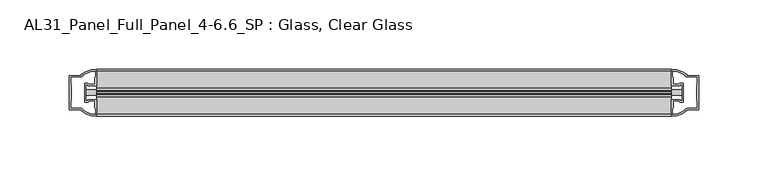
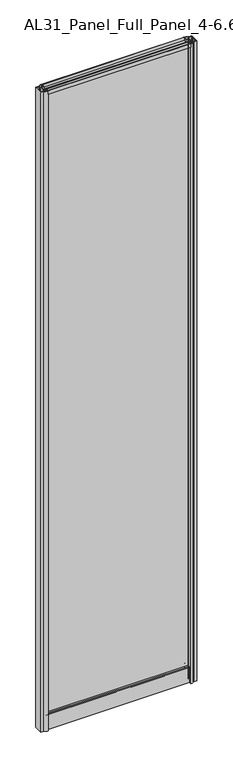
"""IFC4 building model written with IfcOpenShell, lengths in millimetres: plate geometry, AL31_Panel_Full_Panel_4-6.6_SP : Glass, Clear Glass."""

from ifc_helpers import new_model, si_unit, point, frame, frame_2d, origin, origin_with_axes, place, context, project, spatial, polyline, circle_curve, trimmed, segment, composite_curve, outline, extrude, source, transform, mapped, element, save


def al31_panel_full_panel_4_6_6_sp_glass_clear_glass_6810ea39(model_context):
    return source(origin(), model_context, "Body", "SweptSolid", [
        extrude(outline(composite_curve([segment(polyline([(-1.4, 1968.8980762), (-0.85, 1967.9454483)]), True, "CONTINUOUS"), segment(trimmed(circle_curve(frame_2d((0.1, 1966.3)), 1.9), [point((-0.85, 1967.9454483))], [point((1.05, 1967.9454483))], True, "CARTESIAN"), True, "CONTINUOUS"), segment(polyline([(1.05, 1967.9454483), (1.6, 1968.8980762)]), True, "CONTINUOUS"), segment(trimmed(circle_curve(frame_2d((0.1, 1966.3)), 3.0), [point((1.6, 1968.8980762))], [point((2.5718414, 1964.6))], False, "CARTESIAN"), True, "CONTINUOUS"), segment(polyline([(2.5718414, 1964.6), (15.7, 1964.6), (15.7, 1974.0), (17.0, 1974.0), (17.0, 1963.5), (6.7024688, 1963.5), (6.7024688, 1962.7), (6.1968782, 1960.7785039), (6.1968782, 1956.1), (5.0, 1956.1), (5.0, 1961.4339746), (5.5, 1962.3), (5.5, 1963.5), (-5.5, 1963.5), (-5.5, 1962.3), (-5.0, 1961.4339746), (-5.0, 1956.1), (-6.1968782, 1956.1), (-6.1968782, 1960.7785039), (-6.7024688, 1962.7), (-6.7024688, 1963.5), (-17.0, 1963.5), (-17.0, 1974.0), (-15.7, 1974.0), (-15.7, 1964.6), (-2.3718414, 1964.6)]), True, "CONTINUOUS"), segment(trimmed(circle_curve(frame_2d((0.1, 1966.3)), 3.0), [point((-2.3718414, 1964.6))], [point((-1.4, 1968.8980762))], False, "CARTESIAN"), True, "CONTINUOUS")], self_intersect=False)), frame((-207.6, 0.0, 0.0), z_axis=(1.0, 0.0, 0.0), x_axis=(0.0, 1.0, 0.0)), (0.0, 0.0, 1.0), 415.2),
        extrude(outline(composite_curve([segment(polyline([(-215.4414214, -5.9), (-214.2414214, -5.9), (-214.2414214, -5.0), (-207.6, -5.0), (-207.6, -17.0001453)]), True, "CONTINUOUS"), segment(trimmed(circle_curve(frame_2d((-207.2353484, 2.9965302)), 20.0), [point((-207.6, -17.0001453))], [point((-218.9558352, -13.2093388))], False, "CARTESIAN"), True, "CONTINUOUS"), segment(polyline([(-218.9558352, -13.2093388), (-218.9558352, -12.3279343), (-227.6, -12.3279343), (-227.6, 12.3720657), (-218.9558352, 12.3720657), (-218.9558352, 13.2095249)]), True, "CONTINUOUS"), segment(trimmed(circle_curve(frame_2d((-207.2353484, -2.9963441)), 20.0), [point((-218.9558352, 13.2095249))], [point((-207.6, 17.0003314))], False, "CARTESIAN"), True, "CONTINUOUS"), segment(polyline([(-207.6, 17.0003314), (-207.6, 5.0), (-214.2414214, 5.0), (-214.2414214, 5.9), (-215.4414214, 5.9), (-215.4414214, -5.9)]), True, "CONTINUOUS")], self_intersect=False), holes=[composite_curve([segment(trimmed(circle_curve(frame_2d((-214.4414214, 5.7)), 1.5), [point((-214.4414214, 7.2))], [point((-213.0861671, 6.3428731))], False, "CARTESIAN"), True, "CONTINUOUS"), segment(polyline([(-213.0861671, 6.3428731), (-209.3414214, 6.3428731), (-209.3414214, 10.939223), (-208.9020815, 11.9998832), (-208.9020815, 15.6499817)]), True, "CONTINUOUS"), segment(trimmed(circle_curve(frame_2d((-207.2353484, -2.9755921)), 18.7), [point((-208.9020815, 15.6499817))], [point((-217.2421262, 12.8216987))], True, "CARTESIAN"), True, "CONTINUOUS"), segment(trimmed(circle_curve(frame_2d((-219.0414214, 12.8720657)), 1.8), [point((-217.2421262, 12.8216987))], [point((-219.0414214, 11.0720657))], False, "CARTESIAN"), True, "CONTINUOUS"), segment(polyline([(-219.0414214, 11.0720657), (-226.1828427, 11.0720657), (-226.1828427, 6.5019606), (-225.7414214, 5.439223), (-225.7414214, -5.3950916), (-226.2414214, -6.3879987), (-226.2414214, -11.0279343), (-219.0414214, -11.0279343)]), True, "CONTINUOUS"), segment(trimmed(circle_curve(frame_2d((-219.0414214, -12.8279343)), 1.8), [point((-219.0414214, -11.0279343))], [point((-217.2421262, -12.7775673))], False, "CARTESIAN"), True, "CONTINUOUS"), segment(trimmed(circle_curve(frame_2d((-207.2353484, 3.0197235)), 18.7), [point((-217.2421262, -12.7775673))], [point((-208.9020815, -15.6058503))], True, "CARTESIAN"), True, "CONTINUOUS"), segment(polyline([(-208.9020815, -15.6058503), (-208.9020815, -11.9557518), (-209.3414214, -10.8950916), (-209.3414214, -6.2991308), (-213.0662696, -6.2991308)]), True, "CONTINUOUS"), segment(trimmed(circle_curve(frame_2d((-214.4414214, -5.7)), 1.5), [point((-213.0662696, -6.2991308))], [point((-214.4414214, -7.2))], False, "CARTESIAN"), True, "CONTINUOUS"), segment(polyline([(-214.4414214, -7.2), (-216.7414214, -7.2), (-216.7414214, 7.2), (-214.4414214, 7.2)]), True, "CONTINUOUS")], self_intersect=False)]), origin_with_axes(), (0.0, 0.0, 1.0), 1974.0),
        extrude(outline(composite_curve([segment(polyline([(215.4414214, 5.9), (214.2414214, 5.9), (214.2414214, 5.0), (207.6, 5.0), (207.6, 17.0001453)]), True, "CONTINUOUS"), segment(trimmed(circle_curve(frame_2d((207.2353484, -2.9965302)), 20.0), [point((207.6, 17.0001453))], [point((218.9558352, 13.2093388))], False, "CARTESIAN"), True, "CONTINUOUS"), segment(polyline([(218.9558352, 13.2093388), (218.9558352, 12.3279343), (227.6, 12.3279343), (227.6, -12.3720657), (218.9558352, -12.3720657), (218.9558352, -13.2095249)]), True, "CONTINUOUS"), segment(trimmed(circle_curve(frame_2d((207.2353484, 2.9963441)), 20.0), [point((218.9558352, -13.2095249))], [point((207.6, -17.0003314))], False, "CARTESIAN"), True, "CONTINUOUS"), segment(polyline([(207.6, -17.0003314), (207.6, -5.0), (214.2414214, -5.0), (214.2414214, -5.9), (215.4414214, -5.9), (215.4414214, 5.9)]), True, "CONTINUOUS")], self_intersect=False), holes=[composite_curve([segment(trimmed(circle_curve(frame_2d((214.4414214, -5.7)), 1.5), [point((214.4414214, -7.2))], [point((213.0861671, -6.3428731))], False, "CARTESIAN"), True, "CONTINUOUS"), segment(polyline([(213.0861671, -6.3428731), (209.3414214, -6.3428731), (209.3414214, -10.939223), (208.9020815, -11.9998832), (208.9020815, -15.6499817)]), True, "CONTINUOUS"), segment(trimmed(circle_curve(frame_2d((207.2353484, 2.9755921)), 18.7), [point((208.9020815, -15.6499817))], [point((217.2421262, -12.8216987))], True, "CARTESIAN"), True, "CONTINUOUS"), segment(trimmed(circle_curve(frame_2d((219.0414214, -12.8720657)), 1.8), [point((217.2421262, -12.8216987))], [point((219.0414214, -11.0720657))], False, "CARTESIAN"), True, "CONTINUOUS"), segment(polyline([(219.0414214, -11.0720657), (226.1828427, -11.0720657), (226.1828427, -6.5019606), (225.7414214, -5.439223), (225.7414214, 5.3950916), (226.2414214, 6.3879987), (226.2414214, 11.0279343), (219.0414214, 11.0279343)]), True, "CONTINUOUS"), segment(trimmed(circle_curve(frame_2d((219.0414214, 12.8279343)), 1.8), [point((219.0414214, 11.0279343))], [point((217.2421262, 12.7775673))], False, "CARTESIAN"), True, "CONTINUOUS"), segment(trimmed(circle_curve(frame_2d((207.2353484, -3.0197235)), 18.7), [point((217.2421262, 12.7775673))], [point((208.9020815, 15.6058503))], True, "CARTESIAN"), True, "CONTINUOUS"), segment(polyline([(208.9020815, 15.6058503), (208.9020815, 11.9557518), (209.3414214, 10.8950916), (209.3414214, 6.2991308), (213.0662696, 6.2991308)]), True, "CONTINUOUS"), segment(trimmed(circle_curve(frame_2d((214.4414214, 5.7)), 1.5), [point((213.0662696, 6.2991308))], [point((214.4414214, 7.2))], False, "CARTESIAN"), True, "CONTINUOUS"), segment(polyline([(214.4414214, 7.2), (216.7414214, 7.2), (216.7414214, -7.2), (214.4414214, -7.2)]), True, "CONTINUOUS")], self_intersect=False)]), origin_with_axes(), (0.0, 0.0, 1.0), 1974.0),
        extrude(outline(composite_curve([segment(trimmed(circle_curve(frame_2d((-8.4, 34.8)), 1.0), [point((-8.4, 35.8))], [point((-9.4, 34.8))], True, "CARTESIAN"), True, "CONTINUOUS"), segment(polyline([(-9.4, 34.8), (-9.4, 33.5), (-5.0000303, 33.5), (-5.0000303, 32.3), (-9.4, 32.3), (-9.4, 0.0), (-10.6, 0.0), (-10.6, 47.3)]), True, "CONTINUOUS"), segment(trimmed(circle_curve(frame_2d((-8.6, 47.3)), 2.0), [point((-10.6, 47.3))], [point((-8.6, 49.3))], False, "CARTESIAN"), True, "CONTINUOUS"), segment(polyline([(-8.6, 49.3), (-5.0, 49.3), (-5.0, 41.9), (5.0, 41.9), (5.0, 49.3), (8.6, 49.3)]), True, "CONTINUOUS"), segment(trimmed(circle_curve(frame_2d((8.6, 47.3)), 2.0), [point((8.6, 49.3))], [point((10.6, 47.3))], False, "CARTESIAN"), True, "CONTINUOUS"), segment(polyline([(10.6, 47.3), (10.6, 0.0), (9.4, 0.0), (9.4, 32.3), (4.9999697, 32.3), (4.9999697, 33.5), (9.4, 33.5), (9.4, 34.8)]), True, "CONTINUOUS"), segment(trimmed(circle_curve(frame_2d((8.4, 34.8)), 1.0), [point((9.4, 34.8))], [point((8.4, 35.8))], True, "CARTESIAN"), True, "CONTINUOUS"), segment(polyline([(8.4, 35.8), (-8.4, 35.8)]), True, "CONTINUOUS")], self_intersect=False), holes=[composite_curve([segment(trimmed(circle_curve(frame_2d((5.5024688, 41.8)), 1.0), [point((6.5024688, 41.8))], [point((5.5024688, 40.8))], False, "CARTESIAN"), True, "CONTINUOUS"), segment(polyline([(5.5024688, 40.8), (2.8008965, 40.8), (2.8008965, 39.7274194), (1.8370508, 39.7274194)]), True, "CONTINUOUS"), segment(trimmed(circle_curve(frame_2d((0.0, 38.7)), 2.1048387), [point((1.8370508, 39.7274194))], [point((-1.8370508, 39.7274194))], True, "CARTESIAN"), True, "CONTINUOUS"), segment(polyline([(-1.8370508, 39.7274194), (-2.8008965, 39.7274194), (-2.8008965, 40.8), (-5.5024688, 40.8)]), True, "CONTINUOUS"), segment(trimmed(circle_curve(frame_2d((-5.5024688, 41.8)), 1.0), [point((-5.5024688, 40.8))], [point((-6.5024688, 41.8))], False, "CARTESIAN"), True, "CONTINUOUS"), segment(polyline([(-6.5024688, 41.8), (-6.5024688, 42.7)]), True, "CONTINUOUS"), segment(trimmed(circle_curve(frame_2d((-5.3024688, 42.7)), 1.2), [point((-6.5024688, 42.7))], [point((-6.1198184, 43.5786009))], False, "CARTESIAN"), True, "CONTINUOUS"), segment(polyline([(-6.1198184, 43.5786009), (-6.1198184, 48.2), (-8.4, 48.2)]), True, "CONTINUOUS"), segment(trimmed(circle_curve(frame_2d((-8.4, 47.2)), 1.0), [point((-8.4, 48.2))], [point((-9.4, 47.2))], True, "CARTESIAN"), True, "CONTINUOUS"), segment(polyline([(-9.4, 47.2), (-9.4, 37.04), (-2.8008965, 37.04), (-2.8008965, 38.0725806), (-1.8370508, 38.0725806)]), True, "CONTINUOUS"), segment(trimmed(circle_curve(frame_2d((0.0, 39.1)), 2.1048387), [point((-1.8370508, 38.0725806))], [point((1.8370508, 38.0725806))], True, "CARTESIAN"), True, "CONTINUOUS"), segment(polyline([(1.8370508, 38.0725806), (2.8008965, 38.0725806), (2.8008965, 37.04), (9.4, 37.04), (9.4, 47.2)]), True, "CONTINUOUS"), segment(trimmed(circle_curve(frame_2d((8.4, 47.2)), 1.0), [point((9.4, 47.2))], [point((8.4, 48.2))], True, "CARTESIAN"), True, "CONTINUOUS"), segment(polyline([(8.4, 48.2), (6.1198184, 48.2), (6.1198184, 43.7786009)]), True, "CONTINUOUS"), segment(trimmed(circle_curve(frame_2d((5.3024688, 42.9)), 1.2), [point((6.1198184, 43.7786009))], [point((6.5024688, 42.9))], False, "CARTESIAN"), True, "CONTINUOUS"), segment(polyline([(6.5024688, 42.9), (6.5024688, 41.8)]), True, "CONTINUOUS")], self_intersect=False)]), frame((-207.6, 0.0, 0.0), z_axis=(1.0, 0.0, 0.0), x_axis=(0.0, 1.0, 0.0)), (0.0, 0.0, 1.0), 415.2),
        extrude(outline(polyline([(215.4414214, 2.0), (215.4414214, -2.0), (-215.4414214, -2.0), (-215.4414214, 2.0), (215.4414214, 2.0)])), frame((0.0, 0.0, 41.9), z_axis=(0.0, 0.0, 1.0), x_axis=(1.0, 0.0, 0.0)), (0.0, 0.0, 1.0), 1921.6),
    ])


if __name__ == "__main__":
    model = new_model("IFC4")
    model_context = context("Model", 3, world=origin())
    ifc_project = project(units=[si_unit("LENGTHUNIT", "METRE", prefix="MILLI")], contexts=[model_context])
    site = spatial("IfcSite", under=ifc_project)
    building = spatial("IfcBuilding", under=site)
    placement = place(None, origin())
    al31_panel_full_panel_4_6_6_sp_glass_clear_glass_shape = al31_panel_full_panel_4_6_6_sp_glass_clear_glass_6810ea39(model_context)
    element("IfcPlate", 1, ObjectType="AL31_Panel_Full_Panel_4-6.6_SP : Glass, Clear Glass", at=placement, inside=building, context=model_context, shape_type="MappedRepresentation", body=[
        mapped(al31_panel_full_panel_4_6_6_sp_glass_clear_glass_shape, transform((0.0, 0.0, 0.0), x_axis=(1.0, 0.0, 0.0), y_axis=(0.0, 1.0, 0.0), z_axis=(0.0, 0.0, 1.0))),
    ])
    save(model, "model.ifc")
